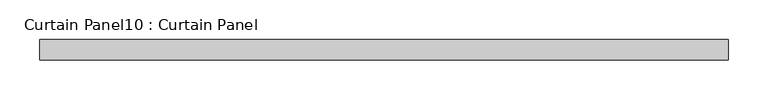
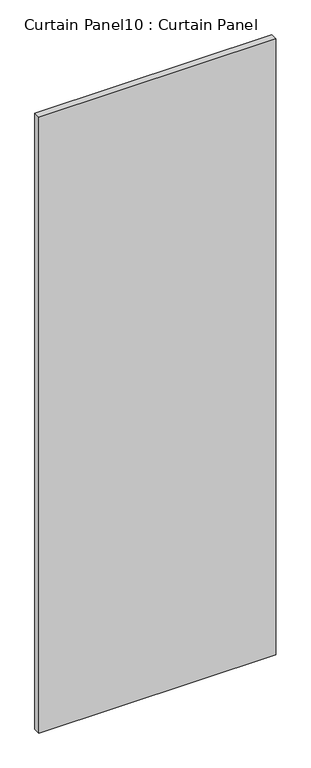
"""IFC4 building model written with IfcOpenShell, lengths in millimetres: plate geometry, Curtain Panel10 : Curtain Panel."""

from ifc_helpers import new_model, si_unit, frame, origin, place, context, project, spatial, polyline, outline, extrude, source, transform, mapped, element, save


def curtain_panel10_curtain_panel_6db0fd69(model_context):
    return source(origin(), model_context, "Body", "SweptSolid", [
        extrude(outline(polyline([(-31501.8691045, 579.5565472), (-32365.4876734, 579.5565472), (-32365.4876734, 604.9565472), (-31501.8691045, 604.9565472), (-31501.8691045, 579.5565472)])), frame((0.0, 0.0, -626.0975832), z_axis=(0.0, 0.0, 1.0), x_axis=(1.0, 0.0, 0.0)), (0.0, 0.0, 1.0), 2374.8756205),
    ])


if __name__ == "__main__":
    model = new_model("IFC4")
    model_context = context("Model", 3, world=origin())
    ifc_project = project(units=[si_unit("LENGTHUNIT", "METRE", prefix="MILLI")], contexts=[model_context])
    site = spatial("IfcSite", under=ifc_project)
    building = spatial("IfcBuilding", under=site)
    placement = place(None, origin())
    curtain_panel10_curtain_panel_shape = curtain_panel10_curtain_panel_6db0fd69(model_context)
    element("IfcPlate", 1, ObjectType="Curtain Panel10 : Curtain Panel", at=placement, inside=building, context=model_context, shape_type="MappedRepresentation", body=[
        mapped(curtain_panel10_curtain_panel_shape, transform((0.0, 0.0, 0.0), x_axis=(1.0, 0.0, 0.0), y_axis=(0.0, 1.0, 0.0), z_axis=(0.0, 0.0, 1.0))),
    ])
    save(model, "model.ifc")
